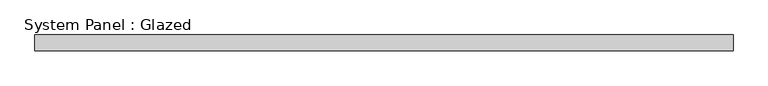
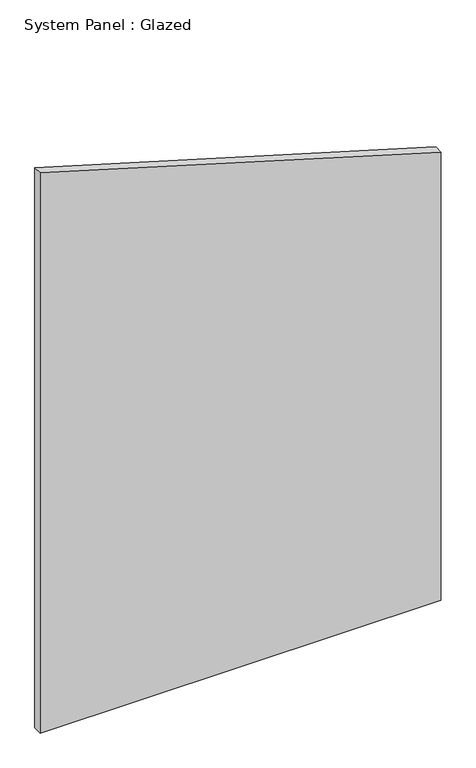
"""IFC4 building model written with IfcOpenShell, lengths in millimetres: plate geometry, System Panel : Glazed."""

from ifc_helpers import new_model, si_unit, frame, origin, place, context, project, spatial, polyline, outline, extrude, source, transform, mapped, element, save


def system_panel_glazed_d19efd3b(model_context):
    return source(origin(), model_context, "Body", "SweptSolid", [
        extrude(outline(polyline([(0.0, -561.975), (0.0, 561.975), (1327.4936313, 561.975), (1659.0569266, -561.975), (0.0, -561.975)])), frame((0.0, 19.05, 0.0), z_axis=(0.0, 1.0, 0.0), x_axis=(0.0, 0.0, 1.0)), (0.0, 0.0, 1.0), 25.4),
    ])


if __name__ == "__main__":
    model = new_model("IFC4")
    model_context = context("Model", 3, world=origin())
    ifc_project = project(units=[si_unit("LENGTHUNIT", "METRE", prefix="MILLI")], contexts=[model_context])
    site = spatial("IfcSite", under=ifc_project)
    building = spatial("IfcBuilding", under=site)
    placement = place(None, origin())
    system_panel_glazed_shape = system_panel_glazed_d19efd3b(model_context)
    element("IfcPlate", 1, ObjectType="System Panel : Glazed", at=placement, inside=building, context=model_context, shape_type="MappedRepresentation", body=[
        mapped(system_panel_glazed_shape, transform((0.0, 0.0, 0.0), x_axis=(1.0, 0.0, 0.0), y_axis=(0.0, 1.0, 0.0), z_axis=(0.0, 0.0, 1.0))),
    ])
    save(model, "model.ifc")
